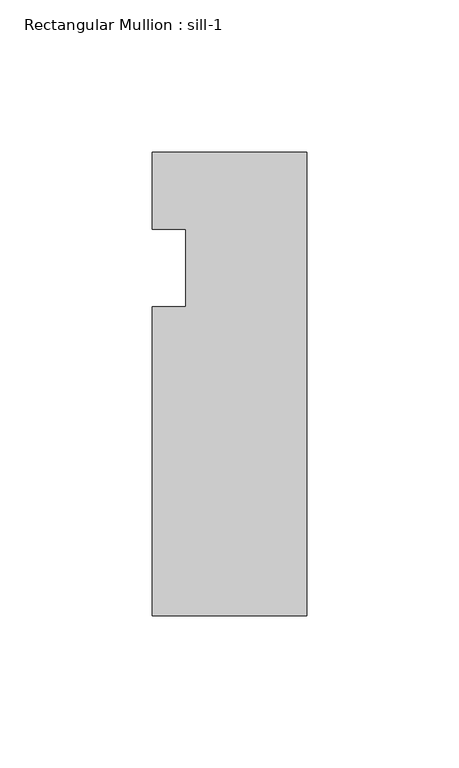
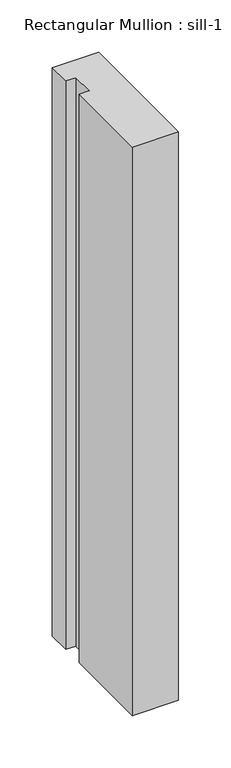
"""IFC4 building model written with IfcOpenShell, lengths in millimetres: member geometry, Rectangular Mullion : sill-1."""

from ifc_helpers import new_model, si_unit, frame, origin, place, context, project, spatial, polyline, outline, extrude, source, transform, mapped, element, save


def rectangular_mullion_sill_1_f5a459d1(model_context):
    return source(origin(), model_context, "Body", "SweptSolid", [
        extrude(outline(polyline([(0.0, 6.35), (0.0, -146.05), (-50.8, -146.05), (-50.8, -44.45), (-39.798625, -44.45), (-39.798625, -19.05), (-50.8, -19.05), (-50.8, 6.35), (0.0, 6.35)])), frame((0.0, 0.0, -661.9873099), z_axis=(0.0, 0.0, 1.0), x_axis=(1.0, 0.0, 0.0)), (0.0, 0.0, 1.0), 661.9873099),
    ])


if __name__ == "__main__":
    model = new_model("IFC4")
    model_context = context("Model", 3, world=origin())
    ifc_project = project(units=[si_unit("LENGTHUNIT", "METRE", prefix="MILLI")], contexts=[model_context])
    site = spatial("IfcSite", under=ifc_project)
    building = spatial("IfcBuilding", under=site)
    placement = place(None, origin())
    rectangular_mullion_sill_1_shape = rectangular_mullion_sill_1_f5a459d1(model_context)
    element("IfcMember", 1, ObjectType="Rectangular Mullion : sill-1", at=placement, inside=building, context=model_context, shape_type="MappedRepresentation", body=[
        mapped(rectangular_mullion_sill_1_shape, transform((0.0, 0.0, 0.0), x_axis=(1.0, 0.0, 0.0), y_axis=(0.0, 1.0, 0.0), z_axis=(0.0, 0.0, 1.0))),
    ])
    save(model, "model.ifc")
